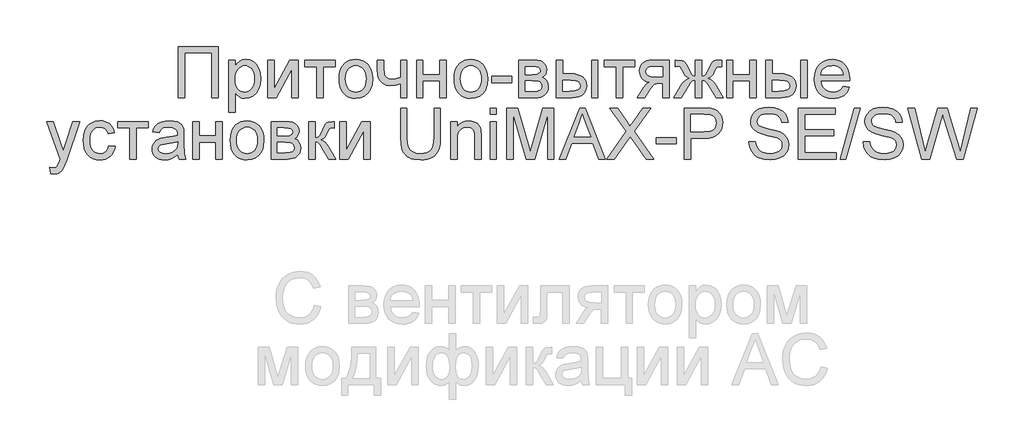
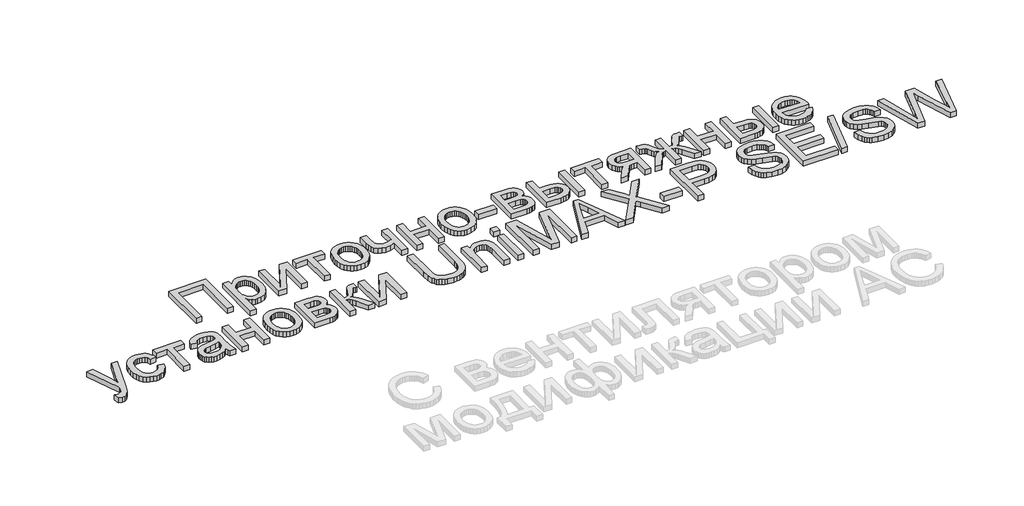
# One storey, part 26 of 74: 1 proxy.
"""IFC4 building model written with IfcOpenShell, lengths in millimetres."""

from ifc_helpers import new_model, si_unit, origin, origin_with_axes, place, context, project, spatial, polyline, outline, extrude, element, save

model = new_model("IFC4")

# Units and contexts
model_context = context("Model", 3, world=origin())
ifc_project = project(units=[si_unit("LENGTHUNIT", "METRE", prefix="MILLI")], contexts=[model_context])

# Site, building, storey
site = spatial("IfcSite", under=ifc_project)
building = spatial("IfcBuilding", under=site)
storey = spatial("IfcBuildingStorey", under=building, Elevation=0.0)

# Proxy
placement = place(None, origin())
element("IfcBuildingElementProxy", 1, Name="Generic Models", at=placement, inside=storey, context=model_context, shape_type="SweptSolid", body=[
    extrude(outline(polyline([(23746.7453215, -23404.5029647), (24098.0391831, -23404.5029647), (24098.0391831, -23854.1591075), (24041.8321653, -23854.1591075), (24041.8321653, -23460.7099826), (23802.9523394, -23460.7099826), (23802.9523394, -23854.1591075), (23746.7453215, -23854.1591075), (23746.7453215, -23404.5029647)])), origin_with_axes(), (0.0, 0.0, 1.0), 50.0),
    extrude(outline(polyline([(24189.3755871, -23980.6248977), (24189.3755871, -23523.9428777), (24245.582605, -23523.9428777), (24245.582605, -23579.0521022), (24263.9157534, -23551.8679952), (24284.4444884, -23532.4507759), (24308.3763827, -23520.8004443), (24336.919009, -23516.9170004), (24374.9301026, -23522.3510774), (24408.1657953, -23538.6533081), (24435.2264006, -23564.8356787), (24454.7122319, -23599.9101752), (24466.4860653, -23641.3244281), (24470.4106764, -23686.526068), (24465.9783359, -23734.5956929), (24452.6813143, -23777.5880237), (24430.9450066, -23813.3211961), (24401.1948077, -23839.6133461), (24366.5457061, -23855.7920751), (24330.1126904, -23861.1849848), (24304.2733802, -23857.5759892), (24281.2059981, -23846.7490027), (24261.4594408, -23830.4056046), (24245.582605, -23810.2473749), (24245.582605, -23980.6248977), (24189.3755871, -23980.6248977)]), holes=[polyline([(24245.582605, -23691.6856966), (24247.1023626, -23718.7737467), (24251.6616355, -23742.0744098), (24259.2604236, -23761.5876861), (24269.8987269, -23777.3135753), (24282.7051721, -23789.4167467), (24296.8083856, -23798.061869), (24312.2083675, -23803.2489425), (24328.9051178, -23804.9779669), (24345.8420103, -23803.1871916), (24361.5233017, -23797.8148655), (24375.948992, -23788.8609888), (24389.1190812, -23776.3255613), (24400.0935838, -23760.0301918), (24407.9325142, -23739.7964887), (24412.6358724, -23715.6244521), (24414.2036585, -23687.514082), (24412.6736091, -23660.6593129), (24408.0834608, -23637.399817), (24400.4332136, -23617.7355942), (24389.7228675, -23601.6666445), (24376.8855469, -23589.1792456), (24362.8543761, -23580.2596749), (24347.629355, -23574.9079324), (24331.2104837, -23573.1240183), (24314.8430715, -23575.0211424), (24299.4430896, -23580.7125146), (24285.0105381, -23590.198135), (24271.5454169, -23603.4780035), (24260.1866867, -23620.3737288), (24252.073308, -23640.7069194), (24247.2052807, -23664.4775753), (24245.582605, -23691.6856966)])]), origin_with_axes(), (0.0, 0.0, 1.0), 50.0),
    extrude(outline(polyline([(24533.6435715, -23523.9428777), (24589.8505893, -23523.9428777), (24589.8505893, -23775.7766647), (24727.9529886, -23523.9428777), (24800.6269063, -23523.9428777), (24800.6269063, -23854.1591075), (24744.4198884, -23854.1591075), (24744.4198884, -23603.8622312), (24607.1957237, -23854.1591075), (24533.6435715, -23854.1591075), (24533.6435715, -23523.9428777)])), origin_with_axes(), (0.0, 0.0, 1.0), 50.0),
    extrude(outline(polyline([(24856.8339241, -23523.9428777), (25123.8172589, -23523.9428777), (25123.8172589, -23580.1498955), (25018.4291004, -23580.1498955), (25018.4291004, -23854.1591075), (24962.2220826, -23854.1591075), (24962.2220826, -23580.1498955), (24856.8339241, -23580.1498955), (24856.8339241, -23523.9428777)])), origin_with_axes(), (0.0, 0.0, 1.0), 50.0),
    extrude(outline(polyline([(25158.9466451, -23689.0509926), (25161.9861603, -23646.2850817), (25171.1047061, -23609.4335323), (25186.3022823, -23578.4963443), (25207.578889, -23553.4735179), (25228.9995811, -23537.4800415), (25252.6433047, -23526.0561298), (25278.5100597, -23519.2017828), (25306.5998463, -23516.9170004), (25337.6090769, -23519.6992204), (25365.6474043, -23528.0458802), (25390.7148286, -23541.9569799), (25412.8113497, -23561.4325195), (25430.8460356, -23585.8138229), (25443.727954, -23614.4422143), (25451.4571051, -23647.3176935), (25454.0334888, -23684.4402607), (25449.4776465, -23741.22362), (25443.7828437, -23764.5311444), (25435.8101197, -23784.4492319), (25413.4288585, -23816.8204123), (25382.7318128, -23841.0404774), (25346.2713523, -23856.1488579), (25306.5998463, -23861.1849848), (25275.1377759, -23858.4130567), (25246.8387225, -23850.0972723), (25221.7026862, -23836.2376316), (25199.7296668, -23816.8341348), (25181.8870948, -23792.2161196), (25169.1424005, -23762.7129242), (25161.4955839, -23728.3245485), (25158.9466451, -23689.0509926)]), holes=[polyline([(25215.1536629, -23688.9412133), (25216.7797693, -23716.2042242), (25221.6580883, -23739.8102111), (25229.7886201, -23759.7591741), (25241.1713645, -23776.051113), (25255.0172828, -23788.7066116), (25270.5373358, -23797.7462534), (25287.7315236, -23803.1700386), (25306.5998463, -23804.9779669), (25325.372112, -23803.1597467), (25342.4976877, -23797.7050862), (25357.9765735, -23788.6139853), (25371.8087693, -23775.886444), (25383.1915138, -23759.4332667), (25391.3220455, -23739.1652575), (25396.2003646, -23715.0824166), (25397.8264709, -23687.184744), (25396.1900728, -23660.7862453), (25391.2808783, -23637.7977671), (25383.0988875, -23618.2193094), (25371.6441003, -23602.0508722), (25357.7604455, -23589.3953736), (25342.2918515, -23580.3557318), (25325.2383184, -23574.9319467), (25306.5998463, -23573.1240183), (25287.7315236, -23574.9250854), (25270.5373358, -23580.3282869), (25255.0172828, -23589.3336227), (25241.1713645, -23601.9410929), (25229.7886201, -23618.1850034), (25221.6580883, -23638.0996603), (25216.7797693, -23661.6850636), (25215.1536629, -23688.9412133)])]), origin_with_axes(), (0.0, 0.0, 1.0), 50.0),
    extrude(outline(polyline([(25496.1887522, -23523.9428777), (25552.39577, -23523.9428777), (25552.39577, -23587.2855521), (25556.9516123, -23646.6761706), (25564.7047776, -23663.9389705), (25578.852589, -23678.8415148), (25598.39331, -23689.1333271), (25622.3252043, -23692.5639312), (25656.71358, -23688.3099821), (25699.9391919, -23675.5481348), (25699.9391919, -23523.9428777), (25756.1462097, -23523.9428777), (25756.1462097, -23854.1591075), (25699.9391919, -23854.1591075), (25699.9391919, -23729.4497867), (25651.9656239, -23743.9406585), (25607.2854359, -23748.7709491), (25573.2950103, -23743.7348222), (25543.5585338, -23728.6264417), (25520.3813724, -23706.2177356), (25506.068892, -23679.2806321), (25498.6587871, -23648.6247537), (25496.1887522, -23615.059723), (25496.1887522, -23523.9428777)])), origin_with_axes(), (0.0, 0.0, 1.0), 50.0),
    extrude(outline(polyline([(25840.4567365, -23523.9428777), (25896.6637544, -23523.9428777), (25896.6637544, -23650.4086678), (26044.2071762, -23650.4086678), (26044.2071762, -23523.9428777), (26100.4141941, -23523.9428777), (26100.4141941, -23854.1591075), (26044.2071762, -23854.1591075), (26044.2071762, -23706.6156857), (25896.6637544, -23706.6156857), (25896.6637544, -23854.1591075), (25840.4567365, -23854.1591075), (25840.4567365, -23523.9428777)])), origin_with_axes(), (0.0, 0.0, 1.0), 50.0),
    extrude(outline(polyline([(26170.6729664, -23689.0509926), (26173.7124817, -23646.2850817), (26182.8310274, -23609.4335323), (26198.0286036, -23578.4963443), (26219.3052104, -23553.4735179), (26240.7259025, -23537.4800415), (26264.369626, -23526.0561298), (26290.2363811, -23519.2017828), (26318.3261676, -23516.9170004), (26349.3353982, -23519.6992204), (26377.3737257, -23528.0458802), (26402.4411499, -23541.9569799), (26424.5376711, -23561.4325195), (26442.5723569, -23585.8138229), (26455.4542754, -23614.4422143), (26463.1834264, -23647.3176935), (26465.7598101, -23684.4402607), (26461.2039679, -23741.22362), (26455.509165, -23764.5311444), (26447.5364411, -23784.4492319), (26425.1551798, -23816.8204123), (26394.4581342, -23841.0404774), (26357.9976736, -23856.1488579), (26318.3261676, -23861.1849848), (26286.8640972, -23858.4130567), (26258.5650439, -23850.0972723), (26233.4290075, -23836.2376316), (26211.4559881, -23816.8341348), (26193.6134161, -23792.2161196), (26180.8687218, -23762.7129242), (26173.2219053, -23728.3245485), (26170.6729664, -23689.0509926)]), holes=[polyline([(26226.8799843, -23688.9412133), (26228.5060906, -23716.2042242), (26233.3844097, -23739.8102111), (26241.5149414, -23759.7591741), (26252.8976859, -23776.051113), (26266.7436041, -23788.7066116), (26282.2636571, -23797.7462534), (26299.457845, -23803.1700386), (26318.3261676, -23804.9779669), (26337.0984333, -23803.1597467), (26354.2240091, -23797.7050862), (26369.7028949, -23788.6139853), (26383.5350907, -23775.886444), (26394.9178351, -23759.4332667), (26403.0483669, -23739.1652575), (26407.9266859, -23715.0824166), (26409.5527923, -23687.184744), (26407.9163941, -23660.7862453), (26403.0071996, -23637.7977671), (26394.8252088, -23618.2193094), (26383.3704217, -23602.0508722), (26369.4867668, -23589.3953736), (26354.0181728, -23580.3557318), (26336.9646398, -23574.9319467), (26318.3261676, -23573.1240183), (26299.457845, -23574.9250854), (26282.2636571, -23580.3282869), (26266.7436041, -23589.3336227), (26252.8976859, -23601.9410929), (26241.5149414, -23618.1850034), (26233.3844097, -23638.0996603), (26228.5060906, -23661.6850636), (26226.8799843, -23688.9412133)])]), origin_with_axes(), (0.0, 0.0, 1.0), 50.0),
    extrude(outline(polyline([(26500.8891963, -23720.6674401), (26500.8891963, -23664.4604223), (26676.5361271, -23664.4604223), (26676.5361271, -23720.6674401), (26500.8891963, -23720.6674401)])), origin_with_axes(), (0.0, 0.0, 1.0), 50.0),
    extrude(outline(polyline([(26739.7690222, -23523.9428777), (26863.6001084, -23523.9428777), (26903.4088385, -23525.8228487), (26931.498625, -23531.4627619), (26952.1645842, -23542.1113571), (26969.7018325, -23559.0173742), (26981.6815021, -23581.0418526), (26985.6747253, -23607.0458318), (26983.25958, -23627.9999617), (26976.0141441, -23646.0723842), (26963.9109727, -23661.3454338), (26946.9226212, -23673.9014448), (26967.7258045, -23685.5792212), (26984.6867113, -23704.3652094), (26995.9665376, -23728.7773883), (26999.7264797, -23757.333737), (26996.60463, -23780.3393682), (26990.2031227, -23800.1751212), (26980.5219579, -23816.840996), (26967.5611355, -23830.3369926), (26951.300072, -23840.7591679), (26931.7181837, -23848.2035788), (26908.8154706, -23852.6702254), (26882.5919328, -23854.1591075), (26739.7690222, -23854.1591075), (26739.7690222, -23523.9428777)]), holes=[polyline([(26795.97604, -23797.9520897), (26864.9174603, -23797.9520897), (26902.4894366, -23795.4134426), (26926.0645481, -23787.7975015), (26938.7166161, -23773.9515833), (26943.5194619, -23752.723005), (26941.118039, -23738.6575281), (26933.9137703, -23725.6623997), (26922.8535027, -23715.4940891), (26908.8840827, -23709.9090656), (26859.4284938, -23706.6156857), (26795.97604, -23706.6156857), (26795.97604, -23797.9520897)]), polyline([(26795.97604, -23650.4086678), (26851.5243819, -23650.4086678), (26897.3572529, -23647.5544052), (26919.6424572, -23636.1373547), (26927.0113949, -23626.6963322), (26929.4677074, -23615.4988403), (26925.1588686, -23598.7300474), (26912.2323523, -23587.9442281), (26888.8767995, -23582.0984787), (26853.2808512, -23580.1498955), (26795.97604, -23580.1498955), (26795.97604, -23650.4086678)])]), origin_with_axes(), (0.0, 0.0, 1.0), 50.0),
    extrude(outline(polyline([(27379.1238502, -23523.9428777), (27435.3308681, -23523.9428777), (27435.3308681, -23854.1591075), (27379.1238502, -23854.1591075), (27379.1238502, -23523.9428777)])), origin_with_axes(), (0.0, 0.0, 1.0), 50.0),
    extrude(outline(polyline([(27069.985252, -23523.9428777), (27126.1922699, -23523.9428777), (27126.1922699, -23643.3827906), (27195.6825869, -23643.3827906), (27227.6592479, -23645.1426905), (27255.7456038, -23650.4223903), (27279.9416546, -23659.2218898), (27300.2474004, -23671.5411892), (27316.3129194, -23686.9548935), (27327.7882902, -23705.0376078), (27334.6735127, -23725.7893321), (27336.9685868, -23749.2100664), (27335.0440179, -23770.1058761), (27329.2703112, -23789.4304691), (27319.6474666, -23807.1838454), (27306.1754843, -23823.366005), (27288.4769976, -23836.8379874), (27266.1746403, -23846.4608319), (27239.2684122, -23852.2345386), (27207.7583134, -23854.1591075), (27069.985252, -23854.1591075), (27069.985252, -23523.9428777)]), holes=[polyline([(27126.1922699, -23797.9520897), (27183.9361984, -23797.9520897), (27228.6987209, -23795.0017702), (27258.4763646, -23786.1508115), (27275.1902679, -23771.042431), (27280.761569, -23749.3198457), (27276.6311216, -23730.9592525), (27264.2397796, -23714.7393562), (27253.4848356, -23708.1114291), (27237.7417934, -23703.3771954), (27191.2914136, -23699.5898085), (27126.1922699, -23699.5898085), (27126.1922699, -23797.9520897)])]), origin_with_axes(), (0.0, 0.0, 1.0), 50.0),
    extrude(outline(polyline([(27491.5378859, -23523.9428777), (27758.5212207, -23523.9428777), (27758.5212207, -23580.1498955), (27653.1330623, -23580.1498955), (27653.1330623, -23854.1591075), (27596.9260444, -23854.1591075), (27596.9260444, -23580.1498955), (27491.5378859, -23580.1498955), (27491.5378859, -23523.9428777)])), origin_with_axes(), (0.0, 0.0, 1.0), 50.0),
    extrude(outline(polyline([(28060.6339417, -23523.9428777), (28060.6339417, -23854.1591075), (28004.4269238, -23854.1591075), (28004.4269238, -23727.6933174), (27973.7984903, -23727.6933174), (27949.372589, -23729.4772315), (27932.0823442, -23734.8289739), (27915.4233306, -23750.3901942), (27892.8911228, -23782.8025419), (27848.1011554, -23854.1591075), (27783.111791, -23854.1591075), (27839.5383676, -23763.9204969), (27864.4582759, -23731.535594), (27876.1772195, -23722.0945715), (27887.4021562, -23717.1545015), (27866.7636418, -23712.5917981), (27848.9793901, -23705.3806682), (27834.049401, -23695.521112), (27821.9736745, -23683.0131294), (27806.0007817, -23653.2629305), (27800.6764841, -23619.341117), (27802.4947043, -23599.1005527), (27807.9493648, -23580.8634612), (27817.0404658, -23564.6298425), (27829.768007, -23550.3996966), (27845.9398748, -23538.8248383), (27865.3639553, -23530.5570824), (27888.0402486, -23525.5964289), (27913.9687545, -23523.9428777), (28060.6339417, -23523.9428777)]), holes=[polyline([(28004.4269238, -23580.1498955), (27930.3258749, -23580.1498955), (27892.0540554, -23583.4021082), (27879.1241085, -23587.4673741), (27870.3314701, -23593.1587463), (27860.245494, -23607.2791129), (27856.883502, -23623.6225109), (27861.8372943, -23645.043203), (27876.6986713, -23659.90458), (27904.1572267, -23668.5908697), (27946.902554, -23671.4862995), (28004.4269238, -23671.4862995), (28004.4269238, -23580.1498955)])]), origin_with_axes(), (0.0, 0.0, 1.0), 50.0),
    extrude(outline(polyline([(28348.6949082, -23523.9428777), (28348.6949082, -23664.4604223), (28368.5238, -23661.5649924), (28381.4640387, -23652.8787028), (28412.4766999, -23592.7745187), (28431.8253071, -23555.3123217), (28449.4723347, -23535.1403695), (28470.9067492, -23526.7422506), (28502.0566346, -23523.9428777), (28524.341839, -23523.9428777), (28524.341839, -23580.4792335), (28508.8629532, -23580.1498955), (28490.3102461, -23581.6044717), (28479.8812096, -23585.9682001), (28459.7915919, -23622.4149382), (28447.6472533, -23646.8408396), (28436.4634839, -23662.374615), (28422.7822347, -23672.9957653), (28403.1454567, -23682.6837914), (28421.6364129, -23690.5947645), (28439.894088, -23704.5573232), (28457.9184821, -23724.5714676), (28475.709595, -23750.6371977), (28538.3935934, -23854.1591075), (28473.9531257, -23854.1591075), (28412.2571413, -23752.064329), (28395.3922914, -23725.2644497), (28380.8053627, -23709.6346173), (28366.053765, -23702.1010107), (28348.6949082, -23699.5898085), (28348.6949082, -23854.1591075), (28292.4878903, -23854.1591075), (28292.4878903, -23699.5898085), (28275.2662577, -23702.046121), (28260.4872151, -23709.4150586), (28245.7905071, -23724.9351117), (28228.8158779, -23751.8447704), (28167.1198935, -23854.1591075), (28102.7892051, -23854.1591075), (28165.2536448, -23750.6371977), (28183.1957044, -23724.5714676), (28201.3436001, -23704.5573232), (28219.6973322, -23690.5947645), (28238.2569004, -23682.6837914), (28216.7950411, -23671.9254169), (28202.9079556, -23660.2888077), (28190.2833325, -23639.8424072), (28172.6088601, -23602.6546585), (28165.4457587, -23590.2770389), (28157.7886503, -23583.6628341), (28133.527418, -23579.8205575), (28116.8409595, -23580.1498955), (28116.8409595, -23523.9428777), (28125.2939681, -23523.9428777), (28174.584888, -23527.4558163), (28188.1151907, -23532.9447829), (28200.1634723, -23542.3858054), (28212.9802093, -23560.691509), (28228.8158779, -23592.7745187), (28259.4992011, -23652.4944751), (28272.4394399, -23661.4689355), (28292.4878903, -23664.4604223), (28292.4878903, -23523.9428777), (28348.6949082, -23523.9428777)])), origin_with_axes(), (0.0, 0.0, 1.0), 50.0),
    extrude(outline(polyline([(28566.4971024, -23523.9428777), (28622.7041202, -23523.9428777), (28622.7041202, -23650.4086678), (28770.2475421, -23650.4086678), (28770.2475421, -23523.9428777), (28826.4545599, -23523.9428777), (28826.4545599, -23854.1591075), (28770.2475421, -23854.1591075), (28770.2475421, -23706.6156857), (28622.7041202, -23706.6156857), (28622.7041202, -23854.1591075), (28566.4971024, -23854.1591075), (28566.4971024, -23523.9428777)])), origin_with_axes(), (0.0, 0.0, 1.0), 50.0),
    extrude(outline(polyline([(29219.9036849, -23523.9428777), (29276.1107027, -23523.9428777), (29276.1107027, -23854.1591075), (29219.9036849, -23854.1591075), (29219.9036849, -23523.9428777)])), origin_with_axes(), (0.0, 0.0, 1.0), 50.0),
    extrude(outline(polyline([(28910.7650867, -23523.9428777), (28966.9721045, -23523.9428777), (28966.9721045, -23643.3827906), (29036.4624215, -23643.3827906), (29068.4390825, -23645.1426905), (29096.5254384, -23650.4223903), (29120.7214893, -23659.2218898), (29141.027235, -23671.5411892), (29157.0927541, -23686.9548935), (29168.5681249, -23705.0376078), (29175.4533473, -23725.7893321), (29177.7484215, -23749.2100664), (29175.8238526, -23770.1058761), (29170.0501459, -23789.4304691), (29160.4273013, -23807.1838454), (29146.9553189, -23823.366005), (29129.2568323, -23836.8379874), (29106.9544749, -23846.4608319), (29080.0482468, -23852.2345386), (29048.538148, -23854.1591075), (28910.7650867, -23854.1591075), (28910.7650867, -23523.9428777)]), holes=[polyline([(28966.9721045, -23797.9520897), (29024.716033, -23797.9520897), (29069.4785556, -23795.0017702), (29099.2561993, -23786.1508115), (29115.9701026, -23771.042431), (29121.5414036, -23749.3198457), (29117.4109563, -23730.9592525), (29105.0196142, -23714.7393562), (29094.2646703, -23708.1114291), (29078.521628, -23703.3771954), (29032.0712483, -23699.5898085), (28966.9721045, -23699.5898085), (28966.9721045, -23797.9520897)])]), origin_with_axes(), (0.0, 0.0, 1.0), 50.0),
    extrude(outline(polyline([(29591.6165022, -23755.7968263), (29646.7257267, -23762.8227035), (29638.2761488, -23784.8952104), (29626.8693901, -23804.3467358), (29612.5054506, -23821.1772796), (29595.1843304, -23835.3868418), (29575.0844209, -23846.6735294), (29552.3841135, -23854.735449), (29527.0834081, -23859.5726008), (29499.1823048, -23861.1849848), (29464.3067834, -23858.4027648), (29433.2323713, -23850.056105), (29405.9590686, -23836.1450053), (29382.4868752, -23816.6694658), (29363.6116913, -23792.1715218), (29350.1294172, -23763.1932088), (29342.0400527, -23729.7345268), (29339.3435978, -23691.7954759), (29342.0674975, -23652.5699484), (29350.2391965, -23617.9963201), (29363.8586948, -23588.074591), (29382.9259925, -23562.8047611), (29406.336435, -23542.7288658), (29432.9853678, -23528.3889406), (29462.8727909, -23519.7849855), (29495.9987042, -23516.9170004), (29528.0576997, -23519.7781243), (29557.0497351, -23528.3614958), (29582.9748104, -23542.6671149), (29605.8329256, -23562.6949818), (29624.4919814, -23587.909922), (29637.8198784, -23617.7767615), (29645.8166166, -23652.2955001), (29648.482196, -23691.4661379), (29648.152858, -23706.6156857), (29395.5506157, -23706.6156857), (29398.806259, -23729.0449754), (29405.2798089, -23748.6886146), (29414.9712656, -23765.5466032), (29427.8806289, -23779.6189413), (29443.2943332, -23790.713515), (29460.4988128, -23798.6382105), (29479.4940678, -23803.3930278), (29500.2800982, -23804.9779669), (29530.1949661, -23802.0413698), (29555.3893227, -23793.2315784), (29575.8631681, -23777.9996962), (29591.6165022, -23755.7968263)]), holes=[polyline([(29395.5506157, -23650.4086678), (29592.2751782, -23650.4086678), (29584.6729594, -23620.7133586), (29569.7704151, -23599.4710579), (29554.442476, -23587.9442281), (29537.0012846, -23579.7107782), (29517.4468412, -23574.7707083), (29495.7791456, -23573.1240183), (29457.8915537, -23578.3797038), (29426.5632769, -23594.1467603), (29414.1067533, -23605.5466578), (29404.785802, -23618.7236082), (29398.6004227, -23633.6776116), (29395.5506157, -23650.4086678)])]), origin_with_axes(), (0.0, 0.0, 1.0), 50.0),
    extrude(outline(polyline([(22622.6049645, -24521.0569809), (22615.5790873, -24466.9357703), (22644.1217135, -24471.8758403), (22659.1340371, -24470.3252072), (22670.7980911, -24465.673308), (22687.1552115, -24448.3830633), (22702.524318, -24406.9962552), (22706.9154913, -24393.3836181), (22587.4755783, -24064.3749608), (22646.7564175, -24064.3749608), (22710.0990919, -24247.7064449), (22732.1647376, -24321.0390385), (22754.2303832, -24256.2692327), (22819.329527, -24064.3749608), (22878.1712488, -24064.3749608), (22763.2322884, -24402.4953026), (22733.3723102, -24475.8278962), (22718.0855383, -24499.2383387), (22700.7678487, -24515.458235), (22680.6507861, -24524.9267023), (22656.9658953, -24528.0828581), (22622.6049645, -24521.0569809)])), origin_with_axes(), (0.0, 0.0, 1.0), 50.0),
    extrude(outline(polyline([(23135.4940024, -24275.1512778), (23191.7010202, -24282.177155), (23185.5876837, -24308.6991555), (23176.0300206, -24332.1679182), (23163.028031, -24352.5834433), (23146.5817149, -24369.9457308), (23127.3840543, -24383.8019408), (23106.1280311, -24393.6992337), (23082.8136456, -24399.6376094), (23057.4408975, -24401.617068), (23025.9170763, -24398.8554316), (22997.652329, -24390.5705227), (22972.6466556, -24376.7623411), (22950.9000561, -24357.4308869), (22933.2976263, -24332.9398041), (22920.7244622, -24303.6527368), (22913.1805638, -24269.5696849), (22910.665931, -24230.6906484), (22914.9610473, -24180.6724404), (22927.8463964, -24137.3233268), (22937.5618673, -24118.5682141), (22949.5278144, -24102.3174424), (22963.7442379, -24088.5710117), (22980.2111376, -24077.328922), (23016.9186017, -24062.3440432), (23056.6724422, -24057.3490836), (23081.6095035, -24059.0643857), (23104.1657256, -24064.2102918), (23124.3411084, -24072.7868021), (23142.135652, -24084.7939165), (23157.2474631, -24099.9571867), (23169.3746486, -24118.0021644), (23178.5172086, -24138.9288495), (23184.675143, -24162.7372421), (23128.4681252, -24169.7631193), (23118.2723697, -24145.2411611), (23102.3955339, -24127.6627456), (23081.7158522, -24117.0827625), (23057.1115595, -24113.5561015), (23038.0133864, -24115.2919871), (23020.7883231, -24120.4996442), (23005.4363697, -24129.1790726), (22991.9575261, -24141.3302724), (22980.9830236, -24157.2345531), (22973.1440932, -24177.1732242), (22968.4407349, -24201.1462858), (22966.8729488, -24229.1537378), (22968.4064289, -24257.5831541), (22973.006869, -24281.8340946), (22980.6742692, -24301.9065593), (22991.4086295, -24317.8005482), (23004.6198859, -24329.8797053), (23019.7179746, -24338.5076746), (23036.7028956, -24343.6844562), (23055.5746489, -24345.4100501), (23084.6798942, -24341.1012113), (23108.5431764, -24328.174695), (23125.9020333, -24306.3011632), (23135.4940024, -24275.1512778)])), origin_with_axes(), (0.0, 0.0, 1.0), 50.0),
    extrude(outline(polyline([(23212.7786519, -24064.3749608), (23479.7619867, -24064.3749608), (23479.7619867, -24120.5819787), (23374.3738283, -24120.5819787), (23374.3738283, -24394.5911907), (23318.1668104, -24394.5911907), (23318.1668104, -24120.5819787), (23212.7786519, -24120.5819787), (23212.7786519, -24064.3749608)])), origin_with_axes(), (0.0, 0.0, 1.0), 50.0),
    extrude(outline(polyline([(23739.7194443, -24352.4359273), (23712.8646753, -24375.4621422), (23685.2140061, -24390.5293555), (23656.1362056, -24398.8451398), (23625.0000426, -24401.617068), (23599.9737856, -24399.9497944), (23578.0282111, -24394.9479736), (23559.163319, -24386.6116056), (23543.3791095, -24374.9406903), (23530.9157247, -24360.6762384), (23522.013307, -24344.5592603), (23516.6718564, -24326.5897559), (23514.8913729, -24306.7677253), (23517.5809665, -24283.4670622), (23525.6497474, -24262.307096), (23538.0959791, -24244.1935062), (23553.9179253, -24230.0319724), (23572.5117996, -24219.3284876), (23593.2738158, -24211.5890447), (23641.9060597, -24203.1360362), (23699.3755399, -24194.2439103), (23739.3901063, -24183.8148738), (23739.7194443, -24171.30003), (23735.8497229, -24146.2154527), (23724.2405585, -24129.8034426), (23698.2777466, -24117.6179367), (23662.1054568, -24113.5561015), (23628.6227606, -24116.2594175), (23605.2397629, -24124.3693656), (23589.294315, -24139.3679668), (23578.124268, -24162.7372421), (23521.9172501, -24155.7113649), (23531.6738882, -24124.973152), (23546.2333721, -24100.821699), (23566.954221, -24082.3513264), (23595.1949541, -24068.6563548), (23629.7342763, -24060.1759014), (23669.3508926, -24057.3490836), (23707.3482638, -24059.8465634), (23737.468968, -24067.3390028), (23760.1795673, -24078.6051067), (23775.9466238, -24092.4235801), (23786.4031051, -24109.5079886), (23793.1819789, -24130.5718979), (23795.9264621, -24179.7530385), (23795.9264621, -24249.6824728), (23798.7807248, -24347.3311884), (23809.9782166, -24394.5911907), (23753.7711988, -24394.5911907), (23744.7692936, -24375.0504697), (23739.7194443, -24352.4359273)]), holes=[polyline([(23739.7194443, -24240.0218916), (23701.9553542, -24249.3805797), (23649.0417163, -24257.2572467), (23600.6839206, -24266.3689313), (23588.1004647, -24272.5989083), (23578.782944, -24281.189141), (23573.019529, -24291.4809534), (23571.0983907, -24302.8156694), (23575.2837278, -24319.5295726), (23587.8397388, -24333.2245443), (23608.4919756, -24342.3636737), (23636.9659898, -24345.4100501), (23667.155306, -24342.0480581), (23693.8316836, -24331.962082), (23715.458212, -24317.1007049), (23730.4979804, -24299.4125101), (23737.1670748, -24281.189141), (23739.3901063, -24255.9398947), (23739.7194443, -24240.0218916)])]), origin_with_axes(), (0.0, 0.0, 1.0), 50.0),
    extrude(outline(polyline([(23873.2111117, -24064.3749608), (23929.4181295, -24064.3749608), (23929.4181295, -24190.840751), (24076.9615514, -24190.840751), (24076.9615514, -24064.3749608), (24133.1685693, -24064.3749608), (24133.1685693, -24394.5911907), (24076.9615514, -24394.5911907), (24076.9615514, -24247.0477689), (23929.4181295, -24247.0477689), (23929.4181295, -24394.5911907), (23873.2111117, -24394.5911907), (23873.2111117, -24064.3749608)])), origin_with_axes(), (0.0, 0.0, 1.0), 50.0),
    extrude(outline(polyline([(24203.4273416, -24229.4830758), (24206.4668568, -24186.7171649), (24215.5854026, -24149.8656154), (24230.7829788, -24118.9284275), (24252.0595855, -24093.9056011), (24273.4802776, -24077.9121247), (24297.1240012, -24066.488213), (24322.9907563, -24059.633866), (24351.0805428, -24057.3490836), (24382.0897734, -24060.1313036), (24410.1281008, -24068.4779634), (24435.1955251, -24082.3890631), (24457.2920462, -24101.8646026), (24475.3267321, -24126.2459061), (24488.2086505, -24154.8742975), (24495.9378016, -24187.7497767), (24498.5141853, -24224.8723439), (24493.958343, -24281.6557032), (24488.2635402, -24304.9632276), (24480.2908162, -24324.8813151), (24457.909555, -24357.2524955), (24427.2125093, -24381.4725606), (24390.7520488, -24396.5809411), (24351.0805428, -24401.617068), (24319.6184724, -24398.8451398), (24291.3194191, -24390.5293555), (24266.1833827, -24376.6697148), (24244.2103633, -24357.2662179), (24226.3677913, -24332.6482028), (24213.623097, -24303.1450074), (24205.9762804, -24268.7566317), (24203.4273416, -24229.4830758)]), holes=[polyline([(24259.6343594, -24229.3732965), (24261.2604658, -24256.6363074), (24266.1387848, -24280.2422943), (24274.2693166, -24300.1912572), (24285.6520611, -24316.4831962), (24299.4979793, -24329.1386948), (24315.0180323, -24338.1783366), (24332.2122201, -24343.6021217), (24351.0805428, -24345.4100501), (24369.8528085, -24343.5918299), (24386.9783843, -24338.1371694), (24402.45727, -24329.0460685), (24416.2894658, -24316.3185272), (24427.6722103, -24299.8653498), (24435.802742, -24279.5973407), (24440.6810611, -24255.5144998), (24442.3071674, -24227.6168271), (24440.6707693, -24201.2183285), (24435.7615748, -24178.2298503), (24427.579584, -24158.6513926), (24416.1247968, -24142.4829554), (24402.241142, -24129.8274568), (24386.772548, -24120.7878149), (24369.7190149, -24115.3640298), (24351.0805428, -24113.5561015), (24332.2122201, -24115.3571686), (24315.0180323, -24120.7603701), (24299.4979793, -24129.7657059), (24285.6520611, -24142.373176), (24274.2693166, -24158.6170865), (24266.1387848, -24178.5317434), (24261.2604658, -24202.1171467), (24259.6343594, -24229.3732965)])]), origin_with_axes(), (0.0, 0.0, 1.0), 50.0),
    extrude(outline(polyline([(24561.7470804, -24064.3749608), (24685.5781666, -24064.3749608), (24725.3868968, -24066.2549319), (24753.4766833, -24071.8948451), (24774.1426425, -24082.5434402), (24791.6798907, -24099.4494573), (24803.6595603, -24121.4739358), (24807.6527835, -24147.477915), (24805.2376382, -24168.4320449), (24797.9922023, -24186.5044674), (24785.889031, -24201.7775169), (24768.9006794, -24214.333528), (24789.7038627, -24226.0113044), (24806.6647695, -24244.7972926), (24817.9445958, -24269.2094715), (24821.704538, -24297.7658201), (24818.5826882, -24320.7714513), (24812.1811809, -24340.6072043), (24802.5000161, -24357.2730791), (24789.5391938, -24370.7690757), (24773.2781302, -24381.191251), (24753.6962419, -24388.635662), (24730.7935289, -24393.1023085), (24704.569991, -24394.5911907), (24561.7470804, -24394.5911907), (24561.7470804, -24064.3749608)]), holes=[polyline([(24617.9540982, -24190.840751), (24673.5024401, -24190.840751), (24719.3353111, -24187.9864884), (24741.6205154, -24176.5694379), (24748.9894531, -24167.1284154), (24751.4457656, -24155.9309235), (24747.1369269, -24139.1621306), (24734.2104106, -24128.3763113), (24710.8548577, -24122.5305618), (24675.2589094, -24120.5819787), (24617.9540982, -24120.5819787), (24617.9540982, -24190.840751)]), polyline([(24617.9540982, -24338.3841729), (24686.8955186, -24338.3841729), (24724.4674949, -24335.8455258), (24748.0426064, -24328.2295847), (24760.6946743, -24314.3836665), (24765.4975201, -24293.1550882), (24763.0960972, -24279.0896113), (24755.8918286, -24266.0944829), (24744.8315609, -24255.9261723), (24730.8621409, -24250.3411488), (24681.406552, -24247.0477689), (24617.9540982, -24247.0477689), (24617.9540982, -24338.3841729)])]), origin_with_axes(), (0.0, 0.0, 1.0), 50.0),
    extrude(outline(polyline([(24891.9633103, -24064.3749608), (24948.1703281, -24064.3749608), (24948.1703281, -24204.8925055), (24971.031874, -24202.3675808), (24985.8246389, -24194.792807), (24998.9158242, -24175.0325272), (25016.6726311, -24135.9510851), (25030.9851115, -24103.9915772), (25042.3061051, -24085.1781442), (25052.8723658, -24074.9274991), (25064.9206474, -24068.6563548), (25106.0330072, -24064.3749608), (25116.7913817, -24064.3749608), (25116.7913817, -24120.9113167), (25101.6418339, -24120.5819787), (25084.0771408, -24122.0639997), (25074.197001, -24126.5100626), (25054.8758386, -24163.5056974), (25043.0059483, -24188.1648798), (25032.2064066, -24203.5202638), (25019.1289437, -24213.7709089), (25000.42529, -24223.1158745), (25018.2369866, -24231.0268476), (25035.8840142, -24244.9894064), (25053.3663728, -24265.0035508), (25070.6840623, -24291.0692809), (25130.8431361, -24394.5911907), (25066.9515651, -24394.5911907), (25008.0000639, -24293.2648675), (24992.0820608, -24266.3003192), (24978.3596443, -24250.3960385), (24964.5000037, -24242.6154283), (24948.1703281, -24240.0218916), (24948.1703281, -24394.5911907), (24891.9633103, -24394.5911907), (24891.9633103, -24064.3749608)])), origin_with_axes(), (0.0, 0.0, 1.0), 50.0),
    extrude(outline(polyline([(25165.9725223, -24064.3749608), (25222.1795401, -24064.3749608), (25222.1795401, -24316.2087479), (25360.2819395, -24064.3749608), (25432.9558571, -24064.3749608), (25432.9558571, -24394.5911907), (25376.7488392, -24394.5911907), (25376.7488392, -24144.2943144), (25239.5246746, -24394.5911907), (25165.9725223, -24394.5911907), (25165.9725223, -24064.3749608)])), origin_with_axes(), (0.0, 0.0, 1.0), 50.0),
    extrude(outline(polyline([(25995.0260356, -23944.9350479), (26051.2330535, -23944.9350479), (26051.2330535, -24204.3436088), (26047.4182217, -24265.0927465), (26035.9737264, -24311.8724643), (26026.8140134, -24330.843705), (26014.5942015, -24347.9624196), (25999.3142908, -24363.2286079), (25980.9742812, -24376.64227), (25959.553589, -24387.5687441), (25935.0316308, -24395.3733685), (25907.4084065, -24400.0561431), (25876.683916, -24401.617068), (25819.6123859, -24396.182991), (25795.3683066, -24389.3903949), (25773.9853512, -24379.8807603), (25755.4600889, -24367.794742), (25739.7890893, -24353.2729947), (25726.9723523, -24336.3155186), (25717.009878, -24316.9223135), (25704.2068634, -24268.1665678), (25699.9391919, -24204.3436088), (25699.9391919, -23944.9350479), (25756.1462097, -23944.9350479), (25756.1462097, -24202.3675808), (25758.9181379, -24252.8797959), (25767.2339222, -24288.0503493), (25782.3011355, -24312.4076385), (25805.3273504, -24330.480061), (25835.3519976, -24341.6775528), (25871.4145081, -24345.4100501), (25902.3928632, -24343.5643851), (25928.5820951, -24338.02739), (25949.9822036, -24328.799065), (25966.5931887, -24315.8794099), (25979.0325592, -24297.7109305), (25987.9178239, -24272.7361325), (25993.2489827, -24240.955016), (25995.0260356, -24202.3675808), (25995.0260356, -23944.9350479)])), origin_with_axes(), (0.0, 0.0, 1.0), 50.0),
    extrude(outline(polyline([(26142.5694575, -24394.5911907), (26142.5694575, -24064.3749608), (26198.7764753, -24064.3749608), (26198.7764753, -24110.4822802), (26218.303474, -24087.2365067), (26241.7550837, -24070.6323828), (26269.1313046, -24060.6699084), (26300.4321365, -24057.3490836), (26328.1376954, -24060.0249548), (26353.5104434, -24068.0525685), (26374.6704096, -24080.4301881), (26389.7376229, -24096.1560774), (26399.9608232, -24115.189069), (26406.5887503, -24137.4879958), (26409.5527923, -24191.828765), (26409.5527923, -24394.5911907), (26353.3457744, -24394.5911907), (26353.3457744, -24199.4035389), (26351.7265293, -24170.3394608), (26346.8687938, -24149.6735016), (26337.9080559, -24134.8670142), (26323.9798032, -24123.3813517), (26306.1269394, -24116.012414), (26285.3923681, -24113.5561015), (26252.472291, -24119.0725129), (26224.4099493, -24135.6217471), (26213.1953044, -24149.1314662), (26205.1848438, -24167.5949775), (26200.3785675, -24191.0122812), (26198.7764753, -24219.3833773), (26198.7764753, -24394.5911907), (26142.5694575, -24394.5911907)])), origin_with_axes(), (0.0, 0.0, 1.0), 50.0),
    extrude(outline(polyline([(26486.8374418, -24394.5911907), (26486.8374418, -24064.3749608), (26543.0444597, -24064.3749608), (26543.0444597, -24394.5911907), (26486.8374418, -24394.5911907)])), origin_with_axes(), (0.0, 0.0, 1.0), 50.0),
    extrude(outline(polyline([(26486.8374418, -24001.1420658), (26486.8374418, -23944.9350479), (26543.0444597, -23944.9350479), (26543.0444597, -24001.1420658), (26486.8374418, -24001.1420658)])), origin_with_axes(), (0.0, 0.0, 1.0), 50.0),
    extrude(outline(polyline([(26634.3808637, -24394.5911907), (26634.3808637, -23944.9350479), (26731.0964549, -23944.9350479), (26823.0915349, -24261.8679786), (26841.644242, -24328.0649157), (26861.7338597, -24256.3790121), (26952.1920291, -23944.9350479), (27048.9076203, -23944.9350479), (27048.9076203, -24394.5911907), (26992.7006025, -24394.5911907), (26992.7006025, -24001.1420658), (26879.7376701, -24394.5911907), (26803.5508139, -24394.5911907), (26690.5878815, -24001.1420658), (26690.5878815, -24394.5911907), (26634.3808637, -24394.5911907)])), origin_with_axes(), (0.0, 0.0, 1.0), 50.0),
    extrude(outline(polyline([(27094.9051603, -24394.5911907), (27274.3943677, -23944.9350479), (27322.2581564, -23944.9350479), (27501.7473638, -24394.5911907), (27442.3567453, -24394.5911907), (27390.8702387, -24254.0736461), (27205.6725061, -24254.0736461), (27154.2957788, -24394.5911907), (27094.9051603, -24394.5911907)]), holes=[polyline([(27226.3110204, -24197.8666282), (27370.3415037, -24197.8666282), (27329.8329303, -24087.3188412), (27298.3262621, -24001.1420658), (27270.3325325, -24077.65826), (27226.3110204, -24197.8666282)])]), origin_with_axes(), (0.0, 0.0, 1.0), 50.0),
    extrude(outline(polyline([(27512.6155176, -24394.5911907), (27685.9570824, -24149.5637223), (27540.7190265, -23944.9350479), (27608.1235362, -23944.9350479), (27689.9091384, -24060.0935669), (27717.4637507, -24104.9933136), (27749.7388742, -24059.3251116), (27830.6462417, -23944.9350479), (27899.0387654, -23944.9350479), (27753.8007095, -24150.2223983), (27927.1422743, -24394.5911907), (27859.7377646, -24394.5911907), (27744.2499076, -24231.6786624), (27720.2082339, -24197.8666282), (27693.751415, -24234.9720424), (27581.0080413, -24394.5911907), (27512.6155176, -24394.5911907)])), origin_with_axes(), (0.0, 0.0, 1.0), 50.0),
    extrude(outline(polyline([(27948.219906, -24261.0995233), (27948.219906, -24204.8925055), (28123.8668368, -24204.8925055), (28123.8668368, -24261.0995233), (27948.219906, -24261.0995233)])), origin_with_axes(), (0.0, 0.0, 1.0), 50.0),
    extrude(outline(polyline([(28194.1256091, -24394.5911907), (28194.1256091, -23944.9350479), (28360.7706347, -23944.9350479), (28427.9555857, -23949.2164418), (28457.9116208, -23957.2166106), (28482.5708032, -23970.2391839), (28502.4271399, -23988.8742254), (28517.9746377, -24013.7117992), (28528.0194466, -24043.0091584), (28531.3677162, -24075.023556), (28529.1069481, -24102.6261967), (28522.3246437, -24128.0195284), (28511.0208032, -24151.203551), (28495.1954264, -24172.1782646), (28473.4694105, -24189.5645663), (28444.4636527, -24201.9833532), (28408.178153, -24209.4346253), (28364.6129113, -24211.9183827), (28250.3326269, -24211.9183827), (28250.3326269, -24394.5911907), (28194.1256091, -24394.5911907)]), holes=[polyline([(28250.3326269, -24155.7113649), (28367.9062912, -24155.7113649), (28417.7461078, -24150.5517363), (28436.3262597, -24144.1022005), (28450.6799074, -24135.0728505), (28461.3902534, -24123.7038284), (28469.0405006, -24110.2352767), (28473.6306489, -24094.6671952), (28475.1606983, -24076.999584), (28471.5517028, -24051.7503377), (28460.7247162, -24030.4531473), (28444.0245354, -24014.4253649), (28422.7959571, -24004.9843424), (28366.5889392, -24001.1420658), (28250.3326269, -24001.1420658), (28250.3326269, -24155.7113649)])]), origin_with_axes(), (0.0, 0.0, 1.0), 50.0),
    extrude(outline(polyline([(28763.2216648, -24240.0218916), (28819.4286827, -24240.0218916), (28825.8782184, -24271.2129443), (28837.5422724, -24296.2837992), (28855.7381967, -24316.181303), (28881.7833431, -24331.8523026), (28913.6193493, -24342.0206132), (28949.1878528, -24345.4100501), (28980.5024072, -24342.8439582), (29007.9197953, -24335.1456826), (29030.1363876, -24322.9601768), (29045.8485544, -24306.9323943), (29055.19352, -24288.5306338), (29058.3085086, -24269.2231939), (29055.9756978, -24250.4097609), (29048.9772654, -24234.1486974), (29034.7608419, -24220.2753343), (29010.7740579, -24208.6250028), (28928.9335661, -24187.1631434), (28875.2103056, -24172.9604424), (28840.8356524, -24159.4438621), (28812.8556452, -24140.5343722), (28793.0267534, -24117.6179367), (28781.2117528, -24091.1885626), (28777.2734193, -24061.7402569), (28782.1448771, -24028.8201798), (28796.7592507, -23998.1231341), (28820.7323123, -23972.1054325), (28853.6798342, -23953.2233875), (28893.2278385, -23941.7377249), (28937.002347, -23937.9091707), (28984.4270183, -23941.9161163), (29025.9236057, -23953.9369531), (29060.0100882, -23973.7246777), (29085.2044448, -24001.0322864), (29101.1498928, -24034.1581998), (29107.4896492, -24071.4008381), (29051.2826313, -24071.4008381), (29047.5226892, -24053.4656398), (29040.9633741, -24037.8632522), (29031.6046861, -24024.5936755), (29019.4466251, -24013.6569096), (29004.2627713, -24005.1078441), (28985.8267048, -23999.0013688), (28939.1979336, -23994.1161885), (28891.4713691, -23998.9464791), (28873.2274164, -24004.9843424), (28858.7296835, -24013.4373509), (28839.7927487, -24034.7619861), (28835.058515, -24046.9269083), (28833.4804372, -24060.0935669), (28837.9539449, -24081.6926504), (28851.3744682, -24099.0652297), (28883.1006951, -24114.5990051), (28943.1499896, -24130.4621186), (29005.1204223, -24145.5293318), (29042.6100641, -24158.6754068), (29074.6519066, -24179.0669177), (29097.005723, -24204.2338295), (29110.1380756, -24233.9016939), (29114.5155264, -24267.7960626), (29109.4793996, -24302.4451641), (29094.371019, -24335.0359033), (29069.8078936, -24363.0845225), (29036.4075319, -24384.1072645), (28996.2420189, -24397.2396171), (28951.3834394, -24401.617068), (28896.3153822, -24396.8965567), (28850.9902406, -24382.7350229), (28831.8509002, -24372.1001501), (28814.8865628, -24359.0775769), (28800.0972285, -24343.6673032), (28787.4828971, -24325.8693291), (28769.8907592, -24285.4156453), (28763.2216648, -24240.0218916)])), origin_with_axes(), (0.0, 0.0, 1.0), 50.0),
    extrude(outline(polyline([(29198.8260532, -24394.5911907), (29198.8260532, -23944.9350479), (29522.0164058, -23944.9350479), (29522.0164058, -24001.1420658), (29255.033071, -24001.1420658), (29255.033071, -24134.6337332), (29507.9646514, -24134.6337332), (29507.9646514, -24190.840751), (29255.033071, -24190.840751), (29255.033071, -24338.3841729), (29529.0422831, -24338.3841729), (29529.0422831, -24394.5911907), (29198.8260532, -24394.5911907)])), origin_with_axes(), (0.0, 0.0, 1.0), 50.0),
    extrude(outline(polyline([(29564.1716692, -24394.5911907), (29690.6374594, -23944.9350479), (29741.3555107, -23944.9350479), (29614.8897205, -24394.5911907), (29564.1716692, -24394.5911907)])), origin_with_axes(), (0.0, 0.0, 1.0), 50.0),
    extrude(outline(polyline([(29767.9221089, -24240.0218916), (29824.1291268, -24240.0218916), (29830.5786625, -24271.2129443), (29842.2427165, -24296.2837992), (29860.4386408, -24316.181303), (29886.4837872, -24331.8523026), (29918.3197934, -24342.0206132), (29953.8882969, -24345.4100501), (29985.2028513, -24342.8439582), (30012.6202394, -24335.1456826), (30034.8368317, -24322.9601768), (30050.5489985, -24306.9323943), (30059.8939641, -24288.5306338), (30063.0089527, -24269.2231939), (30060.6761419, -24250.4097609), (30053.6777095, -24234.1486974), (30039.461286, -24220.2753343), (30015.474502, -24208.6250028), (29933.6340102, -24187.1631434), (29879.9107497, -24172.9604424), (29845.5360965, -24159.4438621), (29817.5560893, -24140.5343722), (29797.7271975, -24117.6179367), (29785.9121969, -24091.1885626), (29781.9738634, -24061.7402569), (29786.8453213, -24028.8201798), (29801.4596948, -23998.1231341), (29825.4327564, -23972.1054325), (29858.3802783, -23953.2233875), (29897.9282826, -23941.7377249), (29941.7027911, -23937.9091707), (29989.1274624, -23941.9161163), (30030.6240498, -23953.9369531), (30064.7105323, -23973.7246777), (30089.9048889, -24001.0322864), (30105.8503369, -24034.1581998), (30112.1900933, -24071.4008381), (30055.9830754, -24071.4008381), (30052.2231333, -24053.4656398), (30045.6638183, -24037.8632522), (30036.3051302, -24024.5936755), (30024.1470692, -24013.6569096), (30008.9632154, -24005.1078441), (29990.5271489, -23999.0013688), (29943.8983777, -23994.1161885), (29896.1718133, -23998.9464791), (29877.9278606, -24004.9843424), (29863.4301276, -24013.4373509), (29844.4931928, -24034.7619861), (29839.7589592, -24046.9269083), (29838.1808813, -24060.0935669), (29842.654389, -24081.6926504), (29856.0749123, -24099.0652297), (29887.8011392, -24114.5990051), (29947.8504337, -24130.4621186), (30009.8208664, -24145.5293318), (30047.3105082, -24158.6754068), (30079.3523507, -24179.0669177), (30101.7061671, -24204.2338295), (30114.8385197, -24233.9016939), (30119.2159705, -24267.7960626), (30114.1798437, -24302.4451641), (30099.0714631, -24335.0359033), (30074.5083377, -24363.0845225), (30041.107976, -24384.1072645), (30000.942463, -24397.2396171), (29956.0838835, -24401.617068), (29901.0158263, -24396.8965567), (29855.6906847, -24382.7350229), (29836.5513443, -24372.1001501), (29819.5870069, -24359.0775769), (29804.7976726, -24343.6673032), (29792.1833413, -24325.8693291), (29774.5912033, -24285.4156453), (29767.9221089, -24240.0218916)])), origin_with_axes(), (0.0, 0.0, 1.0), 50.0),
    extrude(outline(polyline([(30283.9947475, -24394.5911907), (30161.3712339, -23944.9350479), (30219.3347211, -23944.9350479), (30290.471728, -24240.461009), (30312.4275944, -24331.6876336), (30335.9203714, -24250.9998248), (30425.0611888, -23944.9350479), (30508.6032602, -23944.9350479), (30573.3730659, -24166.7990774), (30601.119792, -24249.1335762), (30621.5661926, -24331.6876336), (30642.8633829, -24243.0957129), (30714.6590659, -23944.9350479), (30772.6225531, -23944.9350479), (30649.8892602, -24394.5911907), (30589.8399657, -24394.5911907), (30482.0366619, -24047.6885024), (30466.9968935, -23999.2758171), (30450.0908764, -24057.5686423), (30351.8383745, -24394.5911907), (30283.9947475, -24394.5911907)])), origin_with_axes(), (0.0, 0.0, 1.0), 50.0),
])

save(model, "model.ifc")
